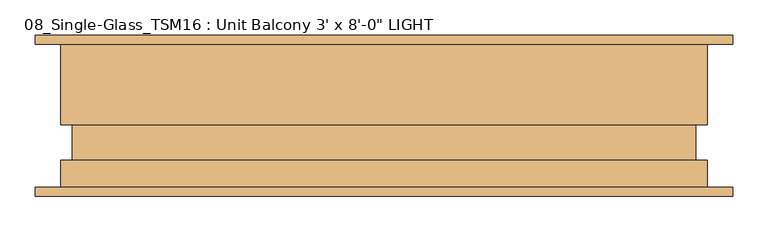
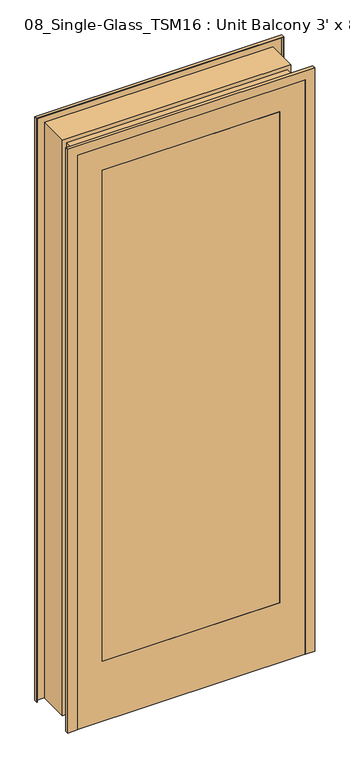
"""IFC4 building model written with IfcOpenShell, lengths in millimetres: door geometry."""

from ifc_helpers import new_model, si_unit, frame, origin, place, context, project, spatial, polyline, outline, extrude, faceted_brep, source, transform, mapped, element, save


def door_4ff5ba08(model_context):
    return source(origin(), model_context, "Body", "SolidModel", [
        extrude(outline(polyline([(348.3028632, -67.46875), (348.3028632, -111.91875), (-362.8971368, -111.91875), (-362.8971368, -67.46875), (348.3028632, -67.46875)])), frame((0.0, 0.0, 254.0), z_axis=(0.0, 0.0, 1.0), x_axis=(1.0, 0.0, 0.0)), (0.0, 0.0, 1.0), 2082.8),
        extrude(outline(polyline([(2438.4, 449.9028632), (2438.4, -464.4971368), (0.0, -464.4971368), (0.0, 449.9028632), (2438.4, 449.9028632)]), holes=[polyline([(2336.8, -362.8971368), (2336.8, 348.3028632), (254.0, 348.3028632), (254.0, -362.8971368), (2336.8, -362.8971368)])]), frame((0.0, -111.91875, 0.0), z_axis=(0.0, 1.0, 0.0), x_axis=(0.0, 0.0, 1.0)), (0.0, 0.0, 1.0), 44.45),
        faceted_brep([(488.0028632, 114.3, 0.0), (488.0028632, 101.6, 0.0), (486.3161444, 101.6, 0.0), (486.3161444, 112.6132813, 0.0), (451.5895819, 112.6132813, 0.0), (451.5895819, -12.7, 0.0), (435.7145819, -12.7, 0.0), (435.7145819, -63.4007812, 0.0), (451.5895819, -63.4007812, 0.0), (451.5895819, -112.6132813, 0.0), (486.3161444, -112.6132813, 0.0), (486.3161444, -101.6, 0.0), (488.0028632, -101.6, 0.0), (488.0028632, -114.3, 0.0), (449.9028632, -114.3, 0.0), (449.9028632, -65.0875, 0.0), (434.0278632, -65.0875, 0.0), (434.0278632, -11.1125, 0.0), (449.9028632, -11.1125, 0.0), (449.9028632, 114.3, 0.0), (449.9028632, 114.3, 2438.4), (-464.4971368, 114.3, 2438.4), (-464.4971368, 114.3, 0.0), (-502.5971368, 114.3, 0.0), (-502.5971368, 114.3, 2476.5), (488.0028632, 114.3, 2476.5), (449.9028632, -11.1125, 2438.4), (434.0278632, -11.1125, 2422.525), (-448.6221368, -11.1125, 2422.525), (-448.6221368, -11.1125, 0.0), (-464.4971368, -11.1125, 0.0), (-464.4971368, -11.1125, 2438.4), (434.0278632, -65.0875, 2422.525), (449.9028632, -65.0875, 2438.4), (-464.4971368, -65.0875, 2438.4), (-464.4971368, -65.0875, 0.0), (-448.6221368, -65.0875, 0.0), (-448.6221368, -65.0875, 2422.525), (449.9028632, -114.3, 2438.4), (488.0028632, -114.3, 2476.5), (-502.5971368, -114.3, 2476.5), (-502.5971368, -114.3, 0.0), (-464.4971368, -114.3, 0.0), (-464.4971368, -114.3, 2438.4), (488.0028632, -101.6, 2476.5), (486.3161444, -101.6, 2474.8132812), (-500.9104181, -101.6, 2474.8132812), (-500.9104181, -101.6, 0.0), (-502.5971368, -101.6, 0.0), (-502.5971368, -101.6, 2476.5), (486.3161444, -112.6132813, 2474.8132812), (451.5895819, -112.6132813, 2440.0867187), (-466.1838556, -112.6132813, 2440.0867187), (-466.1838556, -112.6132813, 0.0), (-500.9104181, -112.6132813, 0.0), (-500.9104181, -112.6132813, 2474.8132812), (451.5895819, -63.4007812, 2440.0867187), (435.7145819, -63.4007812, 2424.2117187), (-450.3088556, -63.4007812, 2424.2117187), (-450.3088556, -63.4007812, 0.0), (-466.1838556, -63.4007812, 0.0), (-466.1838556, -63.4007812, 2440.0867187), (435.7145819, -12.7, 2424.2117187), (451.5895819, -12.7, 2440.0867187), (-466.1838556, -12.7, 2440.0867187), (-466.1838556, -12.7, 0.0), (-450.3088556, -12.7, 0.0), (-450.3088556, -12.7, 2424.2117187), (451.5895819, 112.6132813, 2440.0867187), (486.3161444, 112.6132813, 2474.8132812), (-500.9104181, 112.6132813, 2474.8132812), (-500.9104181, 112.6132813, 0.0), (-466.1838556, 112.6132813, 0.0), (-466.1838556, 112.6132813, 2440.0867187), (486.3161444, 101.6, 2474.8132812), (488.0028632, 101.6, 2476.5), (-502.5971368, 101.6, 2476.5), (-502.5971368, 101.6, 0.0), (-500.9104181, 101.6, 0.0), (-500.9104181, 101.6, 2474.8132812)], [[[0, 1, 2, 3, 4, 5, 6, 7, 8, 9, 10, 11, 12, 13, 14, 15, 16, 17, 18, 19]], [[19, 20, 21, 22, 23, 24, 25, 0]], [[18, 26, 20, 19]], [[17, 27, 28, 29, 30, 31, 26, 18]], [[16, 32, 27, 17]], [[15, 33, 34, 35, 36, 37, 32, 16]], [[14, 38, 33, 15]], [[13, 39, 40, 41, 42, 43, 38, 14]], [[12, 44, 39, 13]], [[11, 45, 46, 47, 48, 49, 44, 12]], [[10, 50, 45, 11]], [[9, 51, 52, 53, 54, 55, 50, 10]], [[8, 56, 51, 9]], [[7, 57, 58, 59, 60, 61, 56, 8]], [[6, 62, 57, 7]], [[5, 63, 64, 65, 66, 67, 62, 6]], [[4, 68, 63, 5]], [[3, 69, 70, 71, 72, 73, 68, 4]], [[2, 74, 69, 3]], [[1, 75, 76, 77, 78, 79, 74, 2]], [[0, 25, 75, 1]], [[24, 23, 77, 76]], [[23, 22, 30, 29, 36, 35, 42, 41, 48, 47, 54, 53, 60, 59, 66, 65, 72, 71, 78, 77]], [[31, 30, 22, 21]], [[37, 36, 29, 28]], [[43, 42, 35, 34]], [[49, 48, 41, 40]], [[55, 54, 47, 46]], [[61, 60, 53, 52]], [[67, 66, 59, 58]], [[73, 72, 65, 64]], [[79, 78, 71, 70]], [[25, 24, 76, 75]], [[26, 31, 21, 20]], [[32, 37, 28, 27]], [[38, 43, 34, 33]], [[44, 49, 40, 39]], [[50, 55, 46, 45]], [[56, 61, 52, 51]], [[62, 67, 58, 57]], [[68, 73, 64, 63]], [[74, 79, 70, 69]]]),
    ])


if __name__ == "__main__":
    model = new_model("IFC4")
    model_context = context("Model", 3, world=origin())
    ifc_project = project(units=[si_unit("LENGTHUNIT", "METRE", prefix="MILLI")], contexts=[model_context])
    site = spatial("IfcSite", under=ifc_project)
    building = spatial("IfcBuilding", under=site)
    placement = place(None, origin())
    door_shape = door_4ff5ba08(model_context)
    element("IfcDoor", 1, ObjectType="08_Single-Glass_TSM16 : Unit Balcony 3' x 8'-0\" LIGHT", at=placement, inside=building, context=model_context, shape_type="MappedRepresentation", body=[
        mapped(door_shape, transform((0.0, 0.0, 0.0), x_axis=(1.0, 0.0, 0.0), y_axis=(0.0, 1.0, 0.0), z_axis=(0.0, 0.0, 1.0))),
    ])
    save(model, "model.ifc")
